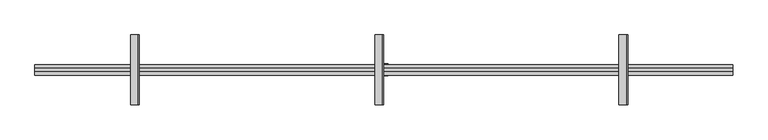
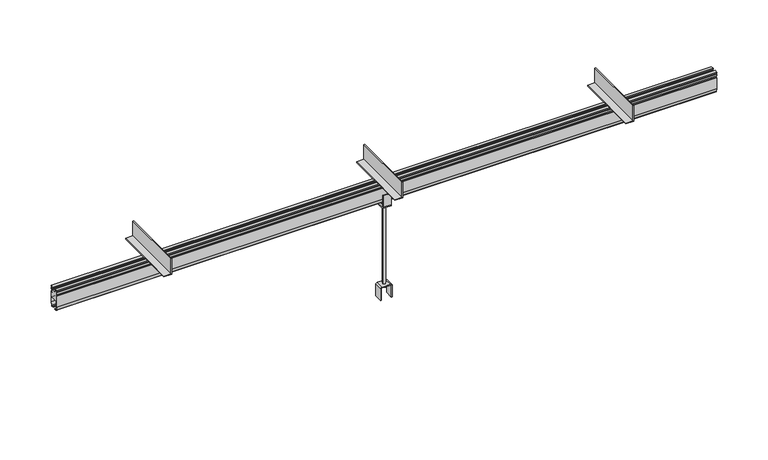
"""IFC4 building model written with IfcOpenShell, lengths in millimetres: proxy geometry."""

from ifc_helpers import new_model, si_unit, point, frame, frame_2d, origin, place, context, project, spatial, polyline, circle_curve, trimmed, segment, composite_curve, outline, extrude, source, transform, mapped, element, save
from ifc_brep_helpers import plane_surface, cylinder_surface, advanced_brep


def specialty_equipment_ffe58d6a(model_context):
    return source(origin(), model_context, "Body", "SolidModel", [
        extrude(outline(composite_curve([segment(polyline([(120.0, -35.0), (46.0, -35.0), (46.0, -30.0), (120.0, -30.0)]), True, "CONTINUOUS"), segment(trimmed(circle_curve(frame_2d((120.0, -25.0)), 5.0), [point((120.0, -30.0))], [point((125.0, -25.0))], True, "CARTESIAN"), True, "CONTINUOUS"), segment(polyline([(125.0, -25.0), (125.0, 25.0)]), True, "CONTINUOUS"), segment(trimmed(circle_curve(frame_2d((120.0, 25.0)), 5.0), [point((125.0, 25.0))], [point((120.0, 30.0))], True, "CARTESIAN"), True, "CONTINUOUS"), segment(polyline([(120.0, 30.0), (46.0, 30.0), (46.0, 35.0), (120.0, 35.0)]), True, "CONTINUOUS"), segment(trimmed(circle_curve(frame_2d((120.0, 25.0)), 10.0), [point((120.0, 35.0))], [point((130.0, 25.0))], False, "CARTESIAN"), True, "CONTINUOUS"), segment(polyline([(130.0, 25.0), (130.0, -25.0)]), True, "CONTINUOUS"), segment(trimmed(circle_curve(frame_2d((120.0, -25.0)), 10.0), [point((130.0, -25.0))], [point((120.0, -35.0))], False, "CARTESIAN"), True, "CONTINUOUS")], self_intersect=False)), frame((0.0, 222.5, 0.0), z_axis=(0.0, 1.0, 0.0), x_axis=(0.0, 0.0, 1.0)), (0.0, 0.0, 1.0), 50.0),
        extrude(outline(polyline([(800.0, 1349.0), (800.0, 1399.0), (900.0, 1399.0), (900.0, 1393.0), (806.0, 1393.0), (806.0, 1349.0), (800.0, 1349.0)])), frame((0.0, 47.5, 0.0), z_axis=(0.0, 1.0, 0.0), x_axis=(0.0, 0.0, 1.0)), (0.0, 0.0, 1.0), 400.0),
        extrude(outline(polyline([(800.0, -1451.0), (800.0, -1401.0), (900.0, -1401.0), (900.0, -1407.0), (806.0, -1407.0), (806.0, -1451.0), (800.0, -1451.0)])), frame((0.0, 47.5, 0.0), z_axis=(0.0, 1.0, 0.0), x_axis=(0.0, 0.0, 1.0)), (0.0, 0.0, 1.0), 400.0),
        extrude(outline(composite_curve([segment(polyline([(212.5, 646.0), (212.5, 720.0), (217.5, 720.0), (217.5, 646.0)]), True, "CONTINUOUS"), segment(trimmed(circle_curve(frame_2d((222.5, 646.0)), 5.0), [point((217.5, 646.0))], [point((222.5, 641.0))], True, "CARTESIAN"), True, "CONTINUOUS"), segment(polyline([(222.5, 641.0), (272.5, 641.0)]), True, "CONTINUOUS"), segment(trimmed(circle_curve(frame_2d((272.5, 646.0)), 5.0), [point((272.5, 641.0))], [point((277.5, 646.0))], True, "CARTESIAN"), True, "CONTINUOUS"), segment(polyline([(277.5, 646.0), (277.5, 720.0), (282.5, 720.0), (282.5, 646.0)]), True, "CONTINUOUS"), segment(trimmed(circle_curve(frame_2d((272.5, 646.0)), 10.0), [point((282.5, 646.0))], [point((272.5, 636.0))], False, "CARTESIAN"), True, "CONTINUOUS"), segment(polyline([(272.5, 636.0), (222.5, 636.0)]), True, "CONTINUOUS"), segment(trimmed(circle_curve(frame_2d((222.5, 646.0)), 10.0), [point((222.5, 636.0))], [point((212.5, 646.0))], False, "CARTESIAN"), True, "CONTINUOUS")], self_intersect=False)), frame((-25.0, 0.0, 0.0), z_axis=(1.0, 0.0, 0.0), x_axis=(0.0, 1.0, 0.0)), (0.0, 0.0, 1.0), 50.0),
        extrude(outline(polyline([(800.0, -51.0), (800.0, -1.0), (900.0, -1.0), (900.0, -7.0), (806.0, -7.0), (806.0, -51.0), (800.0, -51.0)])), frame((0.0, 47.5, 0.0), z_axis=(0.0, 1.0, 0.0), x_axis=(0.0, 0.0, 1.0)), (0.0, 0.0, 1.0), 400.0),
        advanced_brep(
        [(8.0, 247.5, 125.0), (-8.0, 247.5, 125.0), (-8.0, 247.5, 641.0), (8.0, 247.5, 641.0), (13.0, 247.5, 125.0), (-13.0, 247.5, 125.0), (13.0, 247.5, 112.5), (-13.0, 247.5, 112.5), (0.0, 247.5, 112.5), (13.0, 247.5, 654.0), (-13.0, 247.5, 654.0), (0.0, 247.5, 654.0), (13.0, 247.5, 641.0), (-13.0, 247.5, 641.0)],
        [
            (0, 1, circle_curve(frame((0.0, 247.5, 125.0), z_axis=(0.0, 0.0, 1.0), x_axis=(-1.0, 0.0, 0.0)), 8.0)),
            (1, 2),
            (2, 3, circle_curve(frame((0.0, 247.5, 641.0), z_axis=(0.0, 0.0, -1.0), x_axis=(-1.0, 0.0, 0.0)), 8.0)),
            (3, 0),
            (1, 0, circle_curve(frame((0.0, 247.5, 125.0), z_axis=(0.0, 0.0, 1.0), x_axis=(-1.0, 0.0, 0.0)), 8.0)),
            (3, 2, circle_curve(frame((0.0, 247.5, 641.0), z_axis=(0.0, 0.0, -1.0), x_axis=(-1.0, 0.0, 0.0)), 8.0)),
            (4, 5, circle_curve(frame((0.0, 247.5, 125.0), z_axis=(0.0, 0.0, 1.0), x_axis=(-1.0, 0.0, 0.0)), 13.0)),
            (5, 1),
            (0, 4),
            (5, 4, circle_curve(frame((0.0, 247.5, 125.0), z_axis=(0.0, 0.0, 1.0), x_axis=(-1.0, 0.0, 0.0)), 13.0)),
            (6, 7, circle_curve(frame((0.0, 247.5, 112.5), z_axis=(0.0, 0.0, 1.0), x_axis=(-1.0, 0.0, 0.0)), 13.0)),
            (7, 5),
            (4, 6),
            (7, 6, circle_curve(frame((0.0, 247.5, 112.5), z_axis=(0.0, 0.0, 1.0), x_axis=(-1.0, 0.0, 0.0)), 13.0)),
            (8, 7),
            (6, 8),
            (9, 10, circle_curve(frame((0.0, 247.5, 654.0), z_axis=(0.0, 0.0, 1.0), x_axis=(-1.0, 0.0, 0.0)), 13.0)),
            (10, 11),
            (11, 9),
            (10, 9, circle_curve(frame((0.0, 247.5, 654.0), z_axis=(0.0, 0.0, 1.0), x_axis=(-1.0, 0.0, 0.0)), 13.0)),
            (12, 13, circle_curve(frame((0.0, 247.5, 641.0), z_axis=(0.0, 0.0, 1.0), x_axis=(-1.0, 0.0, 0.0)), 13.0)),
            (13, 10),
            (9, 12),
            (13, 12, circle_curve(frame((0.0, 247.5, 641.0), z_axis=(0.0, 0.0, 1.0), x_axis=(-1.0, 0.0, 0.0)), 13.0)),
            (2, 13),
            (12, 3),
        ],
        [
            cylinder_surface(frame((0.0, 247.5, 713.4767041), z_axis=(0.0, 0.0, -1.0), x_axis=(-1.0, 0.0, 0.0)), 8.0),
            plane_surface(frame((0.0, 247.5, 125.0), z_axis=(0.0, 0.0, 1.0), x_axis=(-1.0, 0.0, 0.0))),
            cylinder_surface(frame((0.0, 247.5, 713.4767041), z_axis=(0.0, 0.0, -1.0), x_axis=(-1.0, 0.0, 0.0)), 13.0),
            plane_surface(frame((0.0, 247.5, 112.5), z_axis=(0.0, 0.0, -1.0), x_axis=(-1.0, 0.0, 0.0))),
            plane_surface(frame((0.0, 247.5, 654.0), z_axis=(0.0, 0.0, 1.0), x_axis=(-1.0, 0.0, 0.0))),
            plane_surface(frame((0.0, 247.5, 641.0), z_axis=(0.0, 0.0, -1.0), x_axis=(-1.0, 0.0, 0.0))),
        ],
        [
            (0, [[1, 2, 3, 4]]),
            (0, [[5, -4, 6, -2]]),
            (1, [[7, 8, -1, 9]]),
            (1, [[10, -9, -5, -8]]),
            (2, [[11, 12, -7, 13]]),
            (2, [[14, -13, -10, -12]]),
            (3, [[15, -11, 16]]),
            (3, [[-16, -14, -15]]),
            (4, [[17, 18, 19]]),
            (4, [[20, -19, -18]]),
            (2, [[21, 22, -17, 23]]),
            (2, [[24, -23, -20, -22]]),
            (5, [[-3, 25, -21, 26]]),
            (5, [[-6, -26, -24, -25]]),
        ],
    ),
        extrude(outline(composite_curve([segment(polyline([(277.5, 764.75), (277.5, 695.1), (271.7674695, 673.7059048)]), True, "CONTINUOUS"), segment(trimmed(circle_curve(frame_2d((266.9378403, 675.0)), 5.0), [point((271.7674695, 673.7059048))], [point((266.9378403, 670.0))], False, "CARTESIAN"), True, "CONTINUOUS"), segment(polyline([(266.9378403, 670.0), (256.525, 670.0), (256.525, 674.0), (265.4031864, 674.0)]), True, "CONTINUOUS"), segment(trimmed(circle_curve(frame_2d((265.4031864, 677.0)), 3.0), [point((265.4031864, 674.0))], [point((268.3009638, 676.2235429))], True, "CARTESIAN"), True, "CONTINUOUS"), segment(polyline([(268.3009638, 676.2235429), (273.5, 695.62661), (273.5, 725.0)]), True, "CONTINUOUS"), segment(trimmed(circle_curve(frame_2d((268.5, 725.0)), 5.0), [point((273.5, 725.0))], [point((268.5, 730.0))], True, "CARTESIAN"), True, "CONTINUOUS"), segment(polyline([(268.5, 730.0), (226.5, 730.0)]), True, "CONTINUOUS"), segment(trimmed(circle_curve(frame_2d((226.5, 725.0)), 5.0), [point((226.5, 730.0))], [point((221.5, 725.0))], True, "CARTESIAN"), True, "CONTINUOUS"), segment(polyline([(221.5, 725.0), (221.5, 695.62661), (226.6990362, 676.2235429)]), True, "CONTINUOUS"), segment(trimmed(circle_curve(frame_2d((229.5968136, 677.0)), 3.0), [point((226.6990362, 676.2235429))], [point((229.5968136, 674.0))], True, "CARTESIAN"), True, "CONTINUOUS"), segment(polyline([(229.5968136, 674.0), (238.475, 674.0), (238.475, 670.0), (228.0621597, 670.0)]), True, "CONTINUOUS"), segment(trimmed(circle_curve(frame_2d((228.0621597, 675.0)), 5.0), [point((228.0621597, 670.0))], [point((223.2325305, 673.7059048))], False, "CARTESIAN"), True, "CONTINUOUS"), segment(polyline([(223.2325305, 673.7059048), (217.5, 695.1), (217.5, 764.75), (224.5, 764.75), (224.5, 776.75), (217.5, 776.75), (217.5, 787.0), (223.5, 787.0), (223.5, 794.0), (217.5, 794.0), (217.5, 800.0), (237.0, 800.0), (237.0, 794.0), (231.0, 794.0), (231.0, 787.0), (237.0, 787.0), (237.0, 784.0), (258.0, 784.0), (258.0, 787.0), (264.0, 787.0), (264.0, 794.0), (258.0, 794.0), (258.0, 800.0), (277.5, 800.0), (277.5, 794.0), (271.5, 794.0), (271.5, 787.0), (277.5, 787.0), (277.5, 776.75), (263.5, 776.75), (263.5, 764.75), (277.5, 764.75)]), True, "CONTINUOUS")], self_intersect=False)), frame((-2000.0, 0.0, 0.0), z_axis=(1.0, 0.0, 0.0), x_axis=(0.0, 1.0, 0.0)), (0.0, 0.0, 1.0), 4000.0),
    ])


if __name__ == "__main__":
    model = new_model("IFC4")
    model_context = context("Model", 3, world=origin())
    ifc_project = project(units=[si_unit("LENGTHUNIT", "METRE", prefix="MILLI")], contexts=[model_context])
    site = spatial("IfcSite", under=ifc_project)
    building = spatial("IfcBuilding", under=site)
    placement = place(None, origin())
    specialty_equipment_shape = specialty_equipment_ffe58d6a(model_context)
    element("IfcBuildingElementProxy", 1, Name="Specialty Equipment", at=placement, inside=building, context=model_context, shape_type="MappedRepresentation", body=[
        mapped(specialty_equipment_shape, transform((0.0, 0.0, 0.0), x_axis=(1.0, 0.0, 0.0), y_axis=(0.0, 1.0, 0.0), z_axis=(0.0, 0.0, 1.0))),
    ])
    save(model, "model.ifc")
